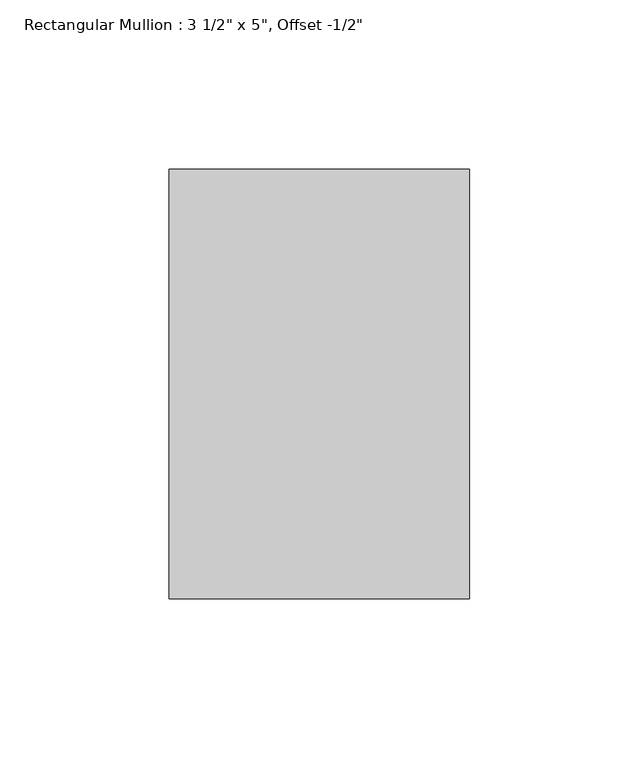
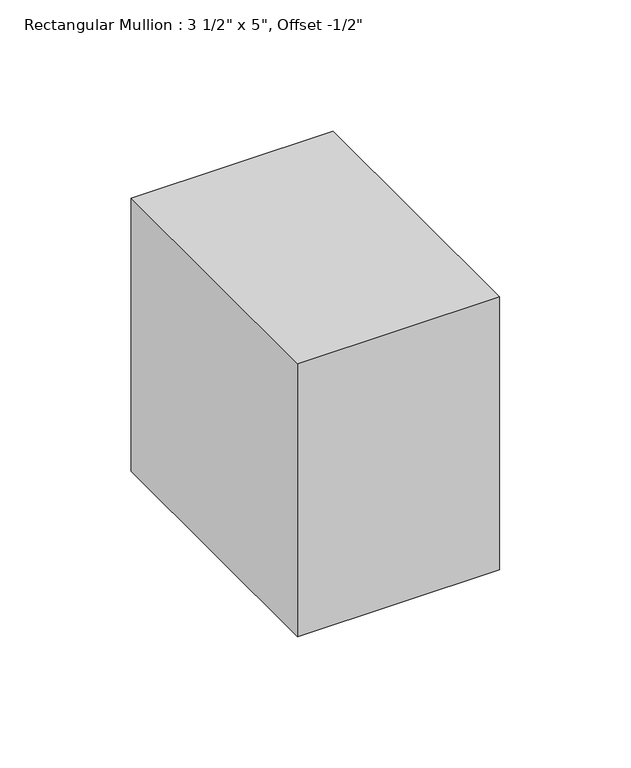
"""IFC4 building model written with IfcOpenShell, lengths in millimetres: member geometry."""

from ifc_helpers import new_model, si_unit, frame, origin, place, context, project, spatial, polyline, outline, extrude, source, transform, mapped, element, save


def member_11d6bdde(model_context):
    return source(origin(), model_context, "Body", "SweptSolid", [
        extrude(outline(polyline([(0.0, 76.2), (0.0, -50.8), (-88.9, -50.8), (-88.9, 76.2), (0.0, 76.2)])), frame((0.0, 0.0, -127.0), z_axis=(0.0, 0.0, 1.0), x_axis=(1.0, 0.0, 0.0)), (0.0, 0.0, 1.0), 127.0),
    ])


if __name__ == "__main__":
    model = new_model("IFC4")
    model_context = context("Model", 3, world=origin())
    ifc_project = project(units=[si_unit("LENGTHUNIT", "METRE", prefix="MILLI")], contexts=[model_context])
    site = spatial("IfcSite", under=ifc_project)
    building = spatial("IfcBuilding", under=site)
    placement = place(None, origin())
    member_shape = member_11d6bdde(model_context)
    element("IfcMember", 1, ObjectType="Rectangular Mullion : 3 1/2\" x 5\", Offset -1/2\"", at=placement, inside=building, context=model_context, shape_type="MappedRepresentation", body=[
        mapped(member_shape, transform((0.0, 0.0, 0.0), x_axis=(1.0, 0.0, 0.0), y_axis=(0.0, 1.0, 0.0), z_axis=(0.0, 0.0, 1.0))),
    ])
    save(model, "model.ifc")
